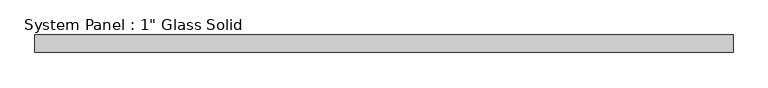
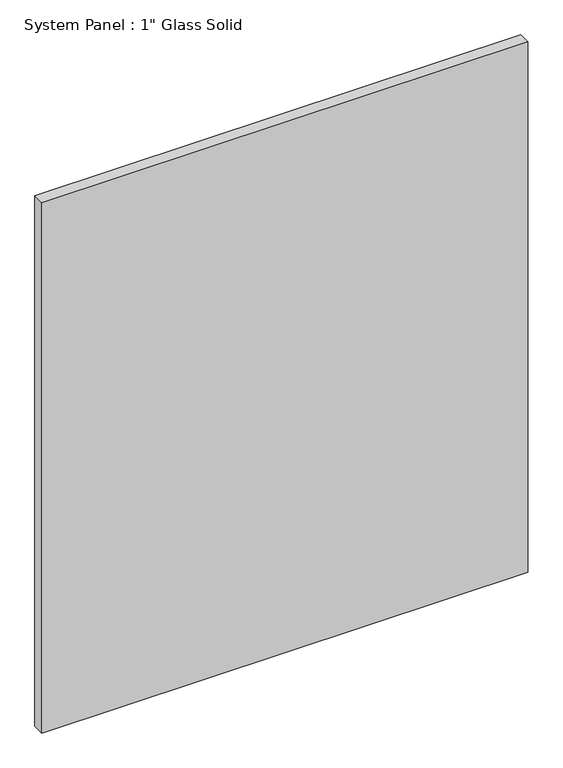
"""IFC4 building model written with IfcOpenShell, lengths in millimetres: plate geometry."""

from ifc_helpers import new_model, si_unit, origin, origin_with_axes, place, context, project, spatial, polyline, outline, extrude, source, transform, mapped, element, save


def plate_99390d0c(model_context):
    return source(origin(), model_context, "Body", "SweptSolid", [
        extrude(outline(polyline([(504.825, -12.7), (-504.825, -12.7), (-504.825, 12.7), (504.825, 12.7), (504.825, -12.7)])), origin_with_axes(), (0.0, 0.0, 1.0), 1165.225),
    ])


if __name__ == "__main__":
    model = new_model("IFC4")
    model_context = context("Model", 3, world=origin())
    ifc_project = project(units=[si_unit("LENGTHUNIT", "METRE", prefix="MILLI")], contexts=[model_context])
    site = spatial("IfcSite", under=ifc_project)
    building = spatial("IfcBuilding", under=site)
    placement = place(None, origin())
    plate_shape = plate_99390d0c(model_context)
    element("IfcPlate", 1, ObjectType="System Panel : 1\" Glass Solid", at=placement, inside=building, context=model_context, shape_type="MappedRepresentation", body=[
        mapped(plate_shape, transform((0.0, 0.0, 0.0), x_axis=(1.0, 0.0, 0.0), y_axis=(0.0, 1.0, 0.0), z_axis=(0.0, 0.0, 1.0))),
    ])
    save(model, "model.ifc")
